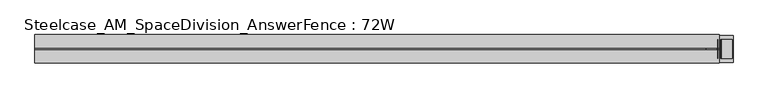
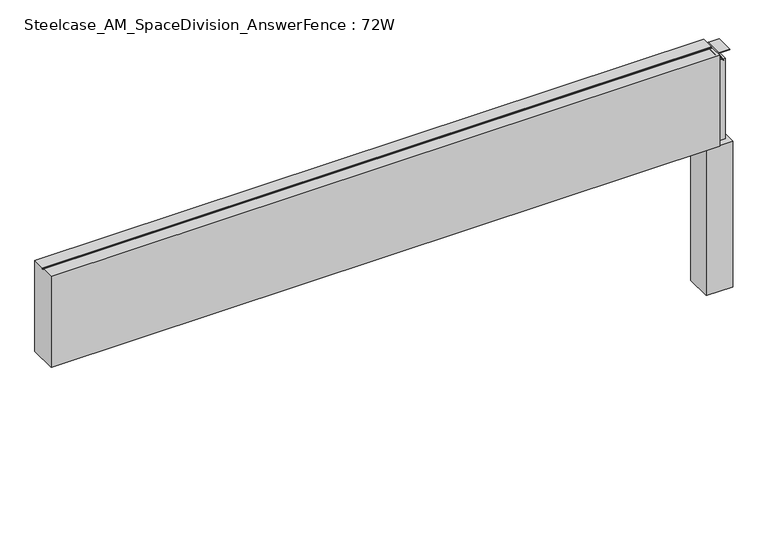
"""IFC4 building model written with IfcOpenShell, lengths in millimetres: furniture geometry, Steelcase_AM_SpaceDivision_AnswerFence : 72W."""

import ifcopenshell
import ifcopenshell.guid

model = None  # the IFC model being written
_history = None  # IfcOwnerHistory: only IFC2X3 demands one
_inside = {}  # id of a spatial element -> (the spatial element, [elements in it])
_under = {}  # id of a project, library or spatial element -> (it, [spatial elements below it])
_declared = {}  # id of a project -> (the project, [libraries it declares])
_typed = {}  # id of a type object -> (the type object, [elements of that type])
_made_of = {}  # id of a material, layer set ... -> (it, [elements and type objects made of it])


def new_model(schema):
    """Start an empty IFC model of exactly this schema.

    Asked for "IFC4X3", IfcOpenShell would pick the latest addendum, in which some entities
    have other attributes; the version numbers below select the first issue.
    IFC2X3 requires an IfcOwnerHistory on every rooted entity: one is made here for all.
    """
    global model, _history
    if schema == "IFC4X3":
        model = ifcopenshell.file(schema_version=(4, 3, 0, 0))
    else:
        model = ifcopenshell.file(schema=schema)
    _inside.clear()
    _under.clear()
    _declared.clear()
    _typed.clear()
    _made_of.clear()
    _history = None
    if model.schema == "IFC2X3":
        org = make("IfcOrganization", Name="unknown")
        user = make(
            "IfcPersonAndOrganization",
            ThePerson=make("IfcPerson", FamilyName="unknown"),
            TheOrganization=org,
        )
        app = make(
            "IfcApplication",
            ApplicationDeveloper=org,
            Version="unknown",
            ApplicationFullName="unknown",
            ApplicationIdentifier="unknown",
        )
        _history = make(
            "IfcOwnerHistory",
            OwningUser=user,
            OwningApplication=app,
            ChangeAction="ADDED",
            CreationDate=0,
        )
    return model


def make(cls, **values):
    """One entity of the class cls with the attributes given. An attribute that is None is left unset."""
    return model.create_entity(
        cls, **{name: value for name, value in values.items() if value is not None}
    )


def rooted(cls, **values):
    """An entity with a GlobalId (a new one), such as an element, a storey or a relation."""
    return make(cls, GlobalId=ifcopenshell.guid.new(), OwnerHistory=_history, **values)


def si_unit(unit_type, name, prefix=None):
    """IfcSIUnit, for example si_unit("LENGTHUNIT", "METRE", prefix="MILLI")."""
    return make("IfcSIUnit", UnitType=unit_type, Prefix=prefix, Name=name)


def assignment(units):
    """IfcUnitAssignment: the units of a project."""
    return None if units is None else make("IfcUnitAssignment", Units=units)


def point(xyz):
    """IfcCartesianPoint."""
    return None if xyz is None else make("IfcCartesianPoint", Coordinates=xyz)


def direction(xyz):
    """IfcDirection."""
    return None if xyz is None else make("IfcDirection", DirectionRatios=xyz)


def frame(location, z_axis=None, x_axis=None):
    """IfcAxis2Placement3D, a coordinate frame: its origin and axes. An axis left out is left unset."""
    return make(
        "IfcAxis2Placement3D",
        Location=point(location),
        Axis=direction(z_axis),
        RefDirection=direction(x_axis),
    )


def frame_2d(location, x_axis=None):
    """IfcAxis2Placement2D, a coordinate frame in the plane: its origin and x axis."""
    return make(
        "IfcAxis2Placement2D", Location=point(location), RefDirection=direction(x_axis)
    )


def origin():
    """The frame at (0, 0, 0) with its axes left unset."""
    return frame((0.0, 0.0, 0.0))


def place(relative_to, where):
    """IfcLocalPlacement: puts the frame where relative to a parent placement (None: the world)."""
    return make(
        "IfcLocalPlacement", PlacementRelTo=relative_to, RelativePlacement=where
    )


def context(
    kind, dimensions, precision=None, world=None, true_north=None, identifier=None
):
    """IfcGeometricRepresentationContext, for example the 3D "Model" context."""
    return make(
        "IfcGeometricRepresentationContext",
        ContextIdentifier=identifier,
        ContextType=kind,
        CoordinateSpaceDimension=dimensions,
        Precision=precision,
        WorldCoordinateSystem=world,
        TrueNorth=true_north,
    )


def project(units=None, contexts=None):
    """IfcProject with its units and contexts."""
    return rooted(
        "IfcProject",
        Name="project",
        RepresentationContexts=contexts,
        UnitsInContext=assignment(units),
    )


def spatial(cls, under=None, at=None, **own):
    """A site, building, storey or space (cls), placed at a placement, below another one or the project."""
    s = rooted(cls, ObjectPlacement=at, **own)
    if under is not None:
        _under.setdefault(under.id(), (under, []))[1].append(s)
    return s


def polyline(points):
    """IfcPolyline through the points."""
    return make("IfcPolyline", Points=[point(p) for p in points])


def circle_curve(where, radius):
    """IfcCircle in the frame where."""
    return make("IfcCircle", Position=where, Radius=radius)


def trimmed(basis, trim1, trim2, sense, master):
    """IfcTrimmedCurve: the piece of a basis curve between two trims."""
    return make(
        "IfcTrimmedCurve",
        BasisCurve=basis,
        Trim1=trim1,
        Trim2=trim2,
        SenseAgreement=sense,
        MasterRepresentation=master,
    )


def segment(curve, same_sense, transition):
    """IfcCompositeCurveSegment."""
    return make(
        "IfcCompositeCurveSegment",
        Transition=transition,
        SameSense=same_sense,
        ParentCurve=curve,
    )


def composite_curve(segments, self_intersect=None):
    """IfcCompositeCurve: segments joined end to end."""
    return make("IfcCompositeCurve", Segments=segments, SelfIntersect=self_intersect)


def outline(outer, holes=None, kind="AREA"):
    """IfcArbitraryClosedProfileDef: a profile drawn as a closed curve; with holes, ...WithVoids."""
    if holes is None:
        return make("IfcArbitraryClosedProfileDef", ProfileType=kind, OuterCurve=outer)
    return make(
        "IfcArbitraryProfileDefWithVoids",
        ProfileType=kind,
        OuterCurve=outer,
        InnerCurves=holes,
    )


def extrude(swept, where, along, depth):
    """IfcExtrudedAreaSolid: the profile swept, set in the frame where, extruded along a direction by depth."""
    return make(
        "IfcExtrudedAreaSolid",
        SweptArea=swept,
        Position=where,
        ExtrudedDirection=direction(along),
        Depth=depth,
    )


def shape(context_of_items, identifier, shape_type, items):
    """IfcShapeRepresentation: the items that make up one representation, for example the "Body"."""
    return make(
        "IfcShapeRepresentation",
        ContextOfItems=context_of_items,
        RepresentationIdentifier=identifier,
        RepresentationType=shape_type,
        Items=items,
    )


def source(mapping_origin, context_of_items, identifier, shape_type, items):
    """IfcRepresentationMap: a shape defined once, which mapped items show again and again."""
    return make(
        "IfcRepresentationMap",
        MappingOrigin=mapping_origin,
        MappedRepresentation=shape(context_of_items, identifier, shape_type, items),
    )


def transform(
    local_origin,
    x_axis=None,
    y_axis=None,
    z_axis=None,
    scale=None,
    scale2=None,
    scale3=None,
    uniform=True,
):
    """IfcCartesianTransformationOperator3D, or its non-uniform kind. x_axis, y_axis, z_axis: its Axis1, 2, 3."""
    if uniform:
        return make(
            "IfcCartesianTransformationOperator3D",
            Axis1=direction(x_axis),
            Axis2=direction(y_axis),
            LocalOrigin=point(local_origin),
            Scale=scale,
            Axis3=direction(z_axis),
        )
    return make(
        "IfcCartesianTransformationOperator3DnonUniform",
        Axis1=direction(x_axis),
        Axis2=direction(y_axis),
        LocalOrigin=point(local_origin),
        Scale=scale,
        Axis3=direction(z_axis),
        Scale2=scale2,
        Scale3=scale3,
    )


def mapped(mapping_source, mapping_target):
    """IfcMappedItem: shows the shape of a source again, moved by a transform."""
    return make(
        "IfcMappedItem", MappingSource=mapping_source, MappingTarget=mapping_target
    )


def made_of(thing, what):
    """Note that an element or type object is made of a material, layer set ...; save() writes the relation."""
    if what is not None:
        _made_of.setdefault(what.id(), (what, []))[1].append(thing)
    return thing


def element(
    cls,
    number,
    at=None,
    inside=None,
    cuts=None,
    type_object=None,
    material=None,
    context=None,
    identifier="Body",
    shape_type=None,
    held_by="IfcProductDefinitionShape",
    body=None,
    shapes=None,
    **own,
):
    """One element of the class cls, such as IfcWall. Its Tag is "e" and its number.

    at: its placement. inside: the storey or other place that contains it. cuts: it is an
    opening in that element (IfcRelVoidsElement). A single representation is given by context,
    identifier, shape_type and body (its items); several are given by shapes. held_by: the class
    of the entity that holds the representations. save() writes the other relations.
    """
    e = rooted(cls, Tag="e%d" % number, ObjectPlacement=at, **own)
    if body is not None:
        shapes = [shape(context, identifier, shape_type, body)]
    if shapes is not None:
        e.Representation = make(held_by, Representations=shapes)
    if inside is not None:
        _inside.setdefault(inside.id(), (inside, []))[1].append(e)
    if cuts is not None:
        rooted(
            "IfcRelVoidsElement", RelatingBuildingElement=cuts, RelatedOpeningElement=e
        )
    if type_object is not None:
        _typed.setdefault(type_object.id(), (type_object, []))[1].append(e)
    return made_of(e, material)


def aggregate(whole, parts):
    """IfcRelAggregates: a whole, such as a stair, and the parts it consists of."""
    return rooted("IfcRelAggregates", RelatingObject=whole, RelatedObjects=parts)


def save(model, path):
    """Write the relations noted so far, then the file.

    IfcRelAggregates (storeys below a building ...), IfcRelContainedInSpatialStructure (elements
    in a storey), IfcRelDefinesByType, IfcRelAssociatesMaterial and IfcRelDeclares: one each for
    every whole, place, type object, material and project.
    """
    for whole, parts in _under.values():
        aggregate(whole, parts)
    for where, things in _inside.values():
        rooted(
            "IfcRelContainedInSpatialStructure",
            RelatedElements=things,
            RelatingStructure=where,
        )
    for kind, things in _typed.values():
        rooted("IfcRelDefinesByType", RelatedObjects=things, RelatingType=kind)
    for what, things in _made_of.values():
        rooted("IfcRelAssociatesMaterial", RelatedObjects=things, RelatingMaterial=what)
    for by, libraries in _declared.values():
        rooted("IfcRelDeclares", RelatingContext=by, RelatedDefinitions=libraries)
    model.write(path)


def steelcase_am_spacedivision_answerfence_72w_f6175eb9(model_context):
    return source(origin(), model_context, "Body", "SweptSolid", [
        extrude(outline(polyline([(1825.0153999, 28.9756526), (1825.0153999, -43.7191471), (1752.3206001, -43.7191471), (1752.3206001, 28.9756526), (1825.0153999, 28.9756526)])), frame((0.0, 0.0, 15.4939671), z_axis=(0.0, 0.0, 1.0), x_axis=(1.0, 0.0, 0.0)), (0.0, 0.0, 1.0), 420.9763759),
        extrude(outline(composite_curve([segment(polyline([(694.8271015, 1753.5942703), (694.8271015, 1782.4823183)]), True, "CONTINUOUS"), segment(trimmed(circle_curve(frame_2d((693.8373834, 1782.4823183)), 0.9897181), [point((694.8271015, 1782.4823183))], [point((693.3575585, 1783.3479452))], True, "CARTESIAN"), True, "CONTINUOUS"), segment(polyline([(693.3575585, 1783.3479452), (670.7684479, 1770.8265967), (670.3405135, 1771.5983685), (693.0018984, 1784.1637221)]), True, "CONTINUOUS"), segment(trimmed(circle_curve(frame_2d((693.8919079, 1782.5586063)), 1.8353511), [point((693.0018984, 1784.1637221))], [point((695.7272589, 1782.5586063))], False, "CARTESIAN"), True, "CONTINUOUS"), segment(polyline([(695.7272589, 1782.5586063), (695.7272589, 1753.5942703), (694.8271015, 1753.5942703)]), True, "CONTINUOUS")], self_intersect=False)), frame((0.0, -33.0896971, 0.0), z_axis=(0.0, 1.0, 0.0), x_axis=(0.0, 0.0, 1.0)), (0.0, 0.0, 1.0), 50.8000666),
        extrude(outline(composite_curve([segment(polyline([(694.8271015, 1823.3448547), (695.7272589, 1823.3448547), (695.7272589, 1794.3805187)]), True, "CONTINUOUS"), segment(trimmed(circle_curve(frame_2d((693.8919079, 1794.3805187)), 1.8353511), [point((695.7272589, 1794.3805187))], [point((693.0018984, 1792.7754029))], False, "CARTESIAN"), True, "CONTINUOUS"), segment(polyline([(693.0018984, 1792.7754029), (670.3405135, 1805.3407565), (670.7684479, 1806.1125283), (693.3575585, 1793.5911798)]), True, "CONTINUOUS"), segment(trimmed(circle_curve(frame_2d((693.8373834, 1794.4568067)), 0.9897181), [point((693.3575585, 1793.5911798))], [point((694.8271015, 1794.4568067))], True, "CARTESIAN"), True, "CONTINUOUS"), segment(polyline([(694.8271015, 1794.4568067), (694.8271015, 1823.3448547)]), True, "CONTINUOUS")], self_intersect=False)), frame((0.0, -33.0896971, 0.0), z_axis=(0.0, 1.0, 0.0), x_axis=(0.0, 0.0, 1.0)), (0.0, 0.0, 1.0), 50.8000666),
        extrude(outline(polyline([(1813.9938496, 11.3543833), (1813.9938496, -26.7337081), (1763.1938496, -26.7337081), (1763.1938496, 11.3543833), (1813.9938496, 11.3543833)])), frame((0.0, 0.0, 436.470343), z_axis=(0.0, 0.0, 1.0), x_axis=(1.0, 0.0, 0.0)), (0.0, 0.0, 1.0), 233.7346385),
        extrude(outline(polyline([(30.6507456, 698.5), (30.6507456, 436.470343), (-45.5168014, 436.470343), (-45.5168014, 698.5), (-10.7419756, 698.5), (-10.7419756, 695.721875), (-4.4428302, 695.721875), (-4.4428302, 698.5), (30.6507456, 698.5)])), frame((-38.1, 0.0, 0.0), z_axis=(1.0, 0.0, 0.0), x_axis=(0.0, 1.0, 0.0)), (0.0, 0.0, 1.0), 1826.768),
    ])


if __name__ == "__main__":
    model = new_model("IFC4")
    model_context = context("Model", 3, world=origin())
    ifc_project = project(units=[si_unit("LENGTHUNIT", "METRE", prefix="MILLI")], contexts=[model_context])
    site = spatial("IfcSite", under=ifc_project)
    building = spatial("IfcBuilding", under=site)
    placement = place(None, origin())
    steelcase_am_spacedivision_answerfence_72w_shape = steelcase_am_spacedivision_answerfence_72w_f6175eb9(model_context)
    element("IfcFurniture", 1, ObjectType="Steelcase_AM_SpaceDivision_AnswerFence : 72W", at=placement, inside=building, context=model_context, shape_type="MappedRepresentation", body=[
        mapped(steelcase_am_spacedivision_answerfence_72w_shape, transform((0.0, 0.0, 0.0), x_axis=(1.0, 0.0, 0.0), y_axis=(0.0, 1.0, 0.0), z_axis=(0.0, 0.0, 1.0))),
    ])
    save(model, "model.ifc")
